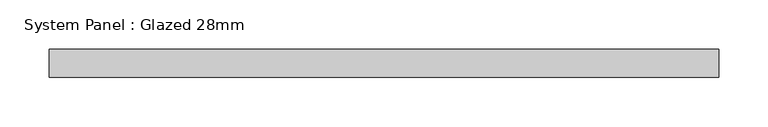
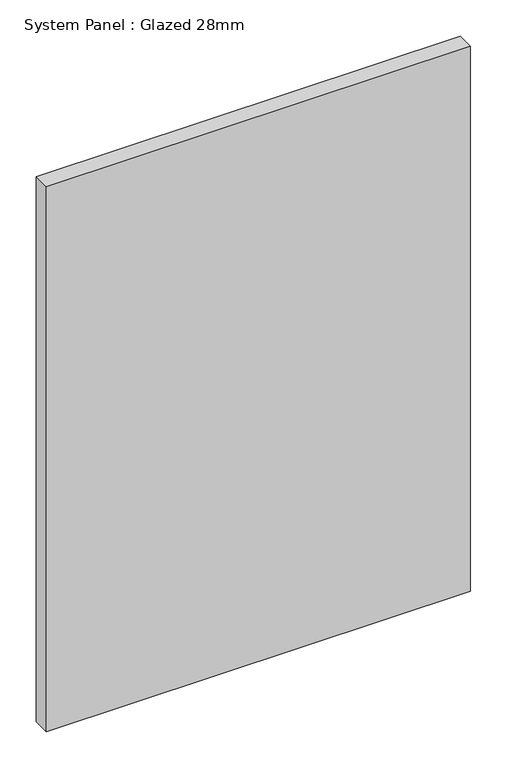
"""IFC4 building model written with IfcOpenShell, lengths in millimetres: plate geometry, System Panel : Glazed 28mm."""

from ifc_helpers import new_model, si_unit, origin, origin_with_axes, place, context, project, spatial, polyline, outline, extrude, source, transform, mapped, element, save


def system_panel_glazed_28mm_68b0f889(model_context):
    return source(origin(), model_context, "Body", "SweptSolid", [
        extrude(outline(polyline([(338.7808018, -14.0), (-338.7808018, -14.0), (-338.7808018, 14.0), (338.7808018, 14.0), (338.7808018, -14.0)])), origin_with_axes(), (0.0, 0.0, 1.0), 920.6652188),
    ])


if __name__ == "__main__":
    model = new_model("IFC4")
    model_context = context("Model", 3, world=origin())
    ifc_project = project(units=[si_unit("LENGTHUNIT", "METRE", prefix="MILLI")], contexts=[model_context])
    site = spatial("IfcSite", under=ifc_project)
    building = spatial("IfcBuilding", under=site)
    placement = place(None, origin())
    system_panel_glazed_28mm_shape = system_panel_glazed_28mm_68b0f889(model_context)
    element("IfcPlate", 1, ObjectType="System Panel : Glazed 28mm", at=placement, inside=building, context=model_context, shape_type="MappedRepresentation", body=[
        mapped(system_panel_glazed_28mm_shape, transform((0.0, 0.0, 0.0), x_axis=(1.0, 0.0, 0.0), y_axis=(0.0, 1.0, 0.0), z_axis=(0.0, 0.0, 1.0))),
    ])
    save(model, "model.ifc")
